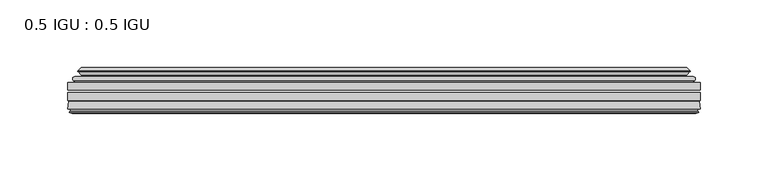
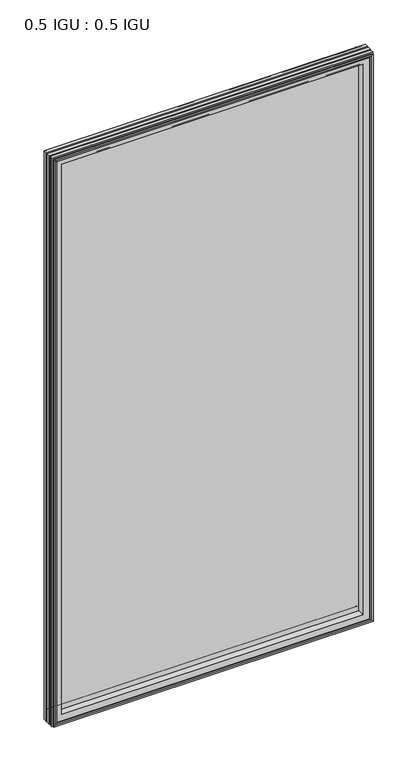
"""IFC4 building model written with IfcOpenShell, lengths in millimetres: plate geometry, 0.5 IGU : 0.5 IGU."""

from ifc_helpers import new_model, si_unit, frame, origin, place, context, project, spatial, polyline, ellipse_curve, outline, extrude, source, transform, mapped, element, save
from ifc_brep_helpers import plane_surface, cylinder_surface, revolved_surface, advanced_brep


def plate_0_5_igu_0_5_igu_5d751c99(model_context):
    return source(origin(), model_context, "Body", "SolidModel", [
        extrude(outline(polyline([(233.3608, -55.82285), (233.3608, -61.48705), (-233.346625, -61.48705), (-233.346625, -55.82285), (233.3608, -55.82285)])), frame((0.0, 0.0, -14.2875), z_axis=(0.0, 0.0, 1.0), x_axis=(1.0, 0.0, 0.0)), (0.0, 0.0, 1.0), 873.1287979),
        extrude(outline(polyline([(-233.346625, -69.05625), (-233.346625, -63.39205), (233.3608, -63.39205), (233.3608, -69.05625), (-233.346625, -69.05625)])), frame((0.0, 0.0, -14.2875), z_axis=(0.0, 0.0, 1.0), x_axis=(1.0, 0.0, 0.0)), (0.0, 0.0, 1.0), 873.1287979),
        advanced_brep(
        [(-229.2440876, -54.3724927, 854.7349626), (-228.1995628, -51.60645, 853.6904378), (-228.1995628, -51.60645, -9.1404378), (-229.2440876, -54.3724927, -10.1849626), (-227.607642, -55.82285, 853.098517), (-227.607642, -55.82285, -8.548517), (-219.059125, -45.63745, 844.55), (-215.4764011, -55.82285, 840.9672761), (-215.4764011, -55.82285, 3.5827239), (-219.059125, -45.63745, 0.0), (-224.2450359, -46.8185491, 849.7359109), (-224.2450359, -46.8185491, -5.1859109), (-223.4480143, -44.8183085, 848.9388893), (-223.4480143, -44.8183085, -4.3888893), (-225.7317361, -47.135817, 851.2226111), (-225.7317361, -47.135817, -6.6726111), (-225.7317361, -47.8489429, 851.2226111), (-225.7317361, -47.8489429, -6.6726111), (-223.4480143, -50.1664515, 848.9388893), (-223.4480143, -50.1664515, -4.3888893), (-224.2373751, -48.1854367, 849.7282501), (-224.2373751, -48.1854367, -5.1782501), (-221.7135629, -48.027045, 847.2044379), (-221.7135629, -48.027045, -2.6544379), (-220.6877467, -48.7147544, 846.1786217), (-220.6877467, -48.7147544, -1.6286217), (-220.8061538, -50.1092231, 846.2970288), (-220.8061538, -50.1092231, -1.7470288), (-221.4078998, -51.60645, 846.8987748), (-221.4078998, -51.60645, -2.3487748), (228.1995628, -51.60645, -9.1404378), (229.2440876, -54.3724927, -10.1849626), (227.607642, -55.82285, -8.548517), (215.4764011, -55.82285, 3.5827239), (219.059125, -45.63745, 0.0), (224.2450359, -46.8185491, -5.1859109), (223.4480143, -44.8183085, -4.3888893), (225.7317361, -47.135817, -6.6726111), (225.7317361, -47.8489429, -6.6726111), (223.4480143, -50.1664515, -4.3888893), (224.2373751, -48.1854367, -5.1782501), (221.7135629, -48.027045, -2.6544379), (220.6877467, -48.7147544, -1.6286217), (220.8061538, -50.1092231, -1.7470288), (221.4078998, -51.60645, -2.3487748), (228.1995628, -51.60645, 853.6904378), (229.2440876, -54.3724927, 854.7349626), (227.607642, -55.82285, 853.098517), (215.4764011, -55.82285, 840.9672761), (219.059125, -45.63745, 844.55), (224.2450359, -46.8185491, 849.7359109), (223.4480143, -44.8183085, 848.9388893), (225.7317361, -47.135817, 851.2226111), (225.7317361, -47.8489429, 851.2226111), (223.4480143, -50.1664515, 848.9388893), (224.2373751, -48.1854367, 849.7282501), (221.7135629, -48.027045, 847.2044379), (220.6877467, -48.7147544, 846.1786217), (220.8061538, -50.1092231, 846.2970288), (221.4078998, -51.60645, 846.8987748)],
        [
            (0, 1, ellipse_curve(frame((-228.1911953, -53.1898501, 853.6820703), z_axis=(-0.7071067811865475, 0.0, -0.7071067811865475), x_axis=(-0.7071067811865474, 0.0, 0.7071067811865476)), 2.2392971, 1.5834222)),
            (1, 2),
            (2, 3, ellipse_curve(frame((-228.1911953, -53.1898501, -9.1320703), z_axis=(-0.7071067811865475, 0.0, 0.7071067811865475), x_axis=(0.7071067811865474, 0.0, 0.7071067811865476)), 2.2392971, 1.5834222)),
            (3, 0),
            (4, 0),
            (3, 5),
            (5, 4),
            (6, 7, ellipse_curve(frame((-186.779371, -40.0058297, 812.270246), z_axis=(0.7071067811865475, 0.0, 0.7071067811865475), x_axis=(0.7071067811865474, 0.0, -0.7071067811865476)), 46.3399971, 32.7673262)),
            (7, 8),
            (8, 9, ellipse_curve(frame((-186.779371, -40.0058297, 32.279754), z_axis=(0.7071067811865475, 0.0, -0.7071067811865475), x_axis=(-0.7071067811865474, 0.0, -0.7071067811865476)), 46.3399971, 32.7673262)),
            (9, 6),
            (10, 6),
            (9, 11),
            (11, 10),
            (12, 10),
            (11, 13),
            (13, 12),
            (14, 12),
            (13, 15),
            (15, 14),
            (16, 14, ellipse_curve(frame((-225.3698979, -47.49238, 850.8607729), z_axis=(-0.7071067811865475, 0.0, -0.7071067811865475), x_axis=(-0.7071067811865474, 0.0, 0.7071067811865476)), 0.7184205, 0.508)),
            (15, 17, ellipse_curve(frame((-225.3698979, -47.49238, -6.3107729), z_axis=(-0.7071067811865475, 0.0, 0.7071067811865475), x_axis=(0.7071067811865474, 0.0, 0.7071067811865476)), 0.7184205, 0.508)),
            (17, 16),
            (18, 16),
            (17, 19),
            (19, 18),
            (20, 18),
            (19, 21),
            (21, 20),
            (22, 20),
            (21, 23),
            (23, 22),
            (24, 22, ellipse_curve(frame((-221.649925, -49.04105, 847.1408), z_axis=(0.7071067811865475, 0.0, 0.7071067811865475), x_axis=(0.7071067811865474, 0.0, -0.7071067811865476)), 1.436841, 1.016)),
            (23, 25, ellipse_curve(frame((-221.649925, -49.04105, -2.5908), z_axis=(0.7071067811865475, 0.0, -0.7071067811865475), x_axis=(-0.7071067811865474, 0.0, -0.7071067811865476)), 1.436841, 1.016)),
            (25, 24),
            (26, 24, ellipse_curve(frame((-223.021525, -49.21885, 848.5124), z_axis=(0.7071067811865475, 0.0, 0.7071067811865475), x_axis=(0.7071067811865474, 0.0, -0.7071067811865476)), 3.3765763, 2.3876)),
            (25, 27, ellipse_curve(frame((-223.021525, -49.21885, -3.9624), z_axis=(0.7071067811865475, 0.0, -0.7071067811865475), x_axis=(-0.7071067811865474, 0.0, -0.7071067811865476)), 3.3765763, 2.3876)),
            (27, 26),
            (28, 26),
            (27, 29),
            (29, 28),
            (2, 30),
            (30, 31, ellipse_curve(frame((228.1911953, -53.1898501, -9.1320703), z_axis=(-0.7071067811865475, 0.0, -0.7071067811865475), x_axis=(-0.7071067811865476, 0.0, 0.7071067811865474)), 2.2392971, 1.5834222)),
            (31, 3),
            (31, 32),
            (32, 5),
            (8, 33),
            (33, 34, ellipse_curve(frame((186.779371, -40.0058297, 32.279754), z_axis=(0.7071067811865475, 0.0, 0.7071067811865475), x_axis=(0.7071067811865476, 0.0, -0.7071067811865474)), 46.3399971, 32.7673262)),
            (34, 9),
            (34, 35),
            (35, 11),
            (35, 36),
            (36, 13),
            (36, 37),
            (37, 15),
            (37, 38, ellipse_curve(frame((225.3698979, -47.49238, -6.3107729), z_axis=(-0.7071067811865475, 0.0, -0.7071067811865475), x_axis=(-0.7071067811865476, 0.0, 0.7071067811865474)), 0.7184205, 0.508)),
            (38, 17),
            (38, 39),
            (39, 19),
            (39, 40),
            (40, 21),
            (40, 41),
            (41, 23),
            (41, 42, ellipse_curve(frame((221.649925, -49.04105, -2.5908), z_axis=(0.7071067811865475, 0.0, 0.7071067811865475), x_axis=(0.7071067811865476, 0.0, -0.7071067811865474)), 1.436841, 1.016)),
            (42, 25),
            (42, 43, ellipse_curve(frame((223.021525, -49.21885, -3.9624), z_axis=(0.7071067811865475, 0.0, 0.7071067811865475), x_axis=(0.7071067811865476, 0.0, -0.7071067811865474)), 3.3765763, 2.3876)),
            (43, 27),
            (43, 44),
            (44, 29),
            (30, 45),
            (45, 46, ellipse_curve(frame((228.1911953, -53.1898501, 853.6820703), z_axis=(0.7071067811865475, 0.0, -0.7071067811865475), x_axis=(-0.7071067811865474, 0.0, -0.7071067811865476)), 2.2392971, 1.5834222)),
            (46, 31),
            (46, 47),
            (47, 32),
            (33, 48),
            (48, 49, ellipse_curve(frame((186.779371, -40.0058297, 812.270246), z_axis=(-0.7071067811865475, 0.0, 0.7071067811865475), x_axis=(0.7071067811865474, 0.0, 0.7071067811865476)), 46.3399971, 32.7673262)),
            (49, 34),
            (49, 50),
            (50, 35),
            (50, 51),
            (51, 36),
            (51, 52),
            (52, 37),
            (52, 53, ellipse_curve(frame((225.3698979, -47.49238, 850.8607729), z_axis=(0.7071067811865475, 0.0, -0.7071067811865475), x_axis=(-0.7071067811865474, 0.0, -0.7071067811865476)), 0.7184205, 0.508)),
            (53, 38),
            (53, 54),
            (54, 39),
            (54, 55),
            (55, 40),
            (55, 56),
            (56, 41),
            (56, 57, ellipse_curve(frame((221.649925, -49.04105, 847.1408), z_axis=(-0.7071067811865475, 0.0, 0.7071067811865475), x_axis=(0.7071067811865474, 0.0, 0.7071067811865476)), 1.436841, 1.016)),
            (57, 42),
            (57, 58, ellipse_curve(frame((223.021525, -49.21885, 848.5124), z_axis=(-0.7071067811865475, 0.0, 0.7071067811865475), x_axis=(0.7071067811865474, 0.0, 0.7071067811865476)), 3.3765763, 2.3876)),
            (58, 43),
            (58, 59),
            (59, 44),
            (45, 1),
            (0, 46),
            (4, 47),
            (7, 48),
            (6, 49),
            (10, 50),
            (12, 51),
            (14, 52),
            (16, 53),
            (18, 54),
            (20, 55),
            (22, 56),
            (24, 57),
            (26, 58),
            (28, 59),
        ],
        [
            cylinder_surface(frame((-228.1911953, -53.1898501, 876.3), z_axis=(0.0, 0.0, 1.0), x_axis=(-1.0, 0.0, 0.0)), 1.5834222),
            plane_surface(frame((-229.2440876, -54.3724927, 854.7349626), z_axis=(-0.6632745773184306, -0.7483761320907135, 0.0), x_axis=(0.0, 0.0, -1.0))),
            revolved_surface(polyline([(-219.54669719999998, -40.0058297, -0.48757218957496207), (-219.54669719999998, -40.0058297, 845.037572189575)]), (-186.779371, -40.0058297, 876.3), (0.0, 0.0, -1.0)),
            plane_surface(frame((-219.059125, -45.63745, 844.55), z_axis=(-0.22206498442787428, 0.975031867525902, 0.0), x_axis=(0.0, 0.0, -1.0))),
            plane_surface(frame((-224.2450359, -46.8185491, 849.7359109), z_axis=(0.9289682685630282, -0.370159365683228, 0.0), x_axis=(0.0, 0.0, -1.0))),
            plane_surface(frame((-223.4480143, -44.8183085, 848.9388893), z_axis=(-0.7122798501733507, 0.7018955869907071, 0.0), x_axis=(0.0, 0.0, -1.0))),
            cylinder_surface(frame((-225.3698979, -47.49238, 876.3), z_axis=(0.0, 0.0, 1.0), x_axis=(-1.0, 0.0, 0.0)), 0.508),
            plane_surface(frame((-225.7317361, -47.8489429, 851.2226111), z_axis=(-0.7122798501732925, -0.701895586990766, 0.0), x_axis=(0.0, 0.0, -1.0))),
            plane_surface(frame((-223.4480143, -50.1664515, 848.9388893), z_axis=(0.9289682685628707, 0.3701593656836228, 0.0), x_axis=(0.0, 0.0, -1.0))),
            plane_surface(frame((-224.2373751, -48.1854367, 849.7282501), z_axis=(0.06263570119284978, -0.9980364567169279, 0.0), x_axis=(0.0, 0.0, -1.0))),
            revolved_surface(polyline([(-222.665925, -49.04105, -3.606800014586838), (-222.665925, -49.04105, 848.1568000145869)]), (-221.649925, -49.04105, 876.3), (0.0, 0.0, -1.0)),
            revolved_surface(polyline([(-225.409125, -49.21885, -6.3499999989237494), (-225.409125, -49.21885, 850.8999999989237)]), (-223.021525, -49.21885, 876.3), (0.0, 0.0, -1.0)),
            plane_surface(frame((-220.8061538, -50.1092231, 846.2970288), z_axis=(-0.9278652925428184, 0.3729155385532094, 0.0), x_axis=(0.0, 0.0, -1.0))),
            cylinder_surface(frame((-250.809125, -53.1898501, -9.1320703), z_axis=(-1.0, 0.0, 0.0), x_axis=(0.0, 0.0, -1.0)), 1.5834222),
            plane_surface(frame((-229.2440876, -54.3724927, -10.1849626), z_axis=(0.0, -0.7483761320907157, -0.6632745773184283), x_axis=(1.0, 0.0, 0.0))),
            revolved_surface(polyline([(219.5466971895749, -40.0058297, -0.48757220000000245), (-219.54669718957493, -40.0058297, -0.48757220000000245)]), (-250.809125, -40.0058297, 32.279754), (1.0, 0.0, 0.0)),
            plane_surface(frame((-219.059125, -45.63745, 0.0), z_axis=(0.0, 0.9750318675259013, -0.22206498442787745), x_axis=(1.0, 0.0, 0.0))),
            plane_surface(frame((-224.2450359, -46.8185491, -5.1859109), z_axis=(0.0, -0.370159365683225, 0.9289682685630294), x_axis=(1.0, 0.0, 0.0))),
            plane_surface(frame((-223.4480143, -44.8183085, -4.3888893), z_axis=(0.0, 0.7018955869907048, -0.7122798501733529), x_axis=(1.0, 0.0, 0.0))),
            cylinder_surface(frame((-250.809125, -47.49238, -6.3107729), z_axis=(-1.0, 0.0, 0.0), x_axis=(0.0, 0.0, -1.0)), 0.508),
            plane_surface(frame((-225.7317361, -47.8489429, -6.6726111), z_axis=(0.0, -0.7018955869907684, -0.7122798501732903), x_axis=(1.0, 0.0, 0.0))),
            plane_surface(frame((-223.4480143, -50.1664515, -4.3888893), z_axis=(0.0, 0.37015936568362584, 0.9289682685628696), x_axis=(1.0, 0.0, 0.0))),
            plane_surface(frame((-224.2373751, -48.1854367, -5.1782501), z_axis=(0.0, -0.9980364567169276, 0.06263570119285301), x_axis=(1.0, 0.0, 0.0))),
            revolved_surface(polyline([(222.66592501458683, -49.04105, -3.6068000000000002), (-222.66592501458686, -49.04105, -3.6068000000000002)]), (-250.809125, -49.04105, -2.5908), (1.0, 0.0, 0.0)),
            revolved_surface(polyline([(225.4091249989238, -49.21885, -6.35), (-225.40912499892377, -49.21885, -6.35)]), (-250.809125, -49.21885, -3.9624), (1.0, 0.0, 0.0)),
            plane_surface(frame((-220.8061538, -50.1092231, -1.7470288), z_axis=(0.0, 0.3729155385532064, -0.9278652925428196), x_axis=(1.0, 0.0, 0.0))),
            cylinder_surface(frame((228.1911953, -53.1898501, -31.75), z_axis=(0.0, 0.0, -1.0), x_axis=(1.0, 0.0, 0.0)), 1.5834222),
            plane_surface(frame((229.2440876, -54.3724927, -10.1849626), z_axis=(0.6632745773184259, -0.7483761320907178, 0.0), x_axis=(0.0, 0.0, 1.0))),
            revolved_surface(polyline([(219.54669719999998, -40.0058297, 845.037572189575), (219.54669719999998, -40.0058297, -0.48757218957494075)]), (186.779371, -40.0058297, -31.75), (0.0, 0.0, 1.0)),
            plane_surface(frame((219.059125, -45.63745, 0.0), z_axis=(0.22206498442788059, 0.9750318675259005, 0.0), x_axis=(0.0, 0.0, 1.0))),
            plane_surface(frame((224.2450359, -46.8185491, -5.1859109), z_axis=(-0.9289682685630306, -0.370159365683222, 0.0), x_axis=(0.0, 0.0, 1.0))),
            plane_surface(frame((223.4480143, -44.8183085, -4.3888893), z_axis=(0.7122798501733552, 0.7018955869907024, 0.0), x_axis=(0.0, 0.0, 1.0))),
            cylinder_surface(frame((225.3698979, -47.49238, -31.75), z_axis=(0.0, 0.0, -1.0), x_axis=(1.0, 0.0, 0.0)), 0.508),
            plane_surface(frame((225.7317361, -47.8489429, -6.6726111), z_axis=(0.712279850173288, -0.7018955869907706, 0.0), x_axis=(0.0, 0.0, 1.0))),
            plane_surface(frame((223.4480143, -50.1664515, -4.3888893), z_axis=(-0.9289682685628684, 0.37015936568362884, 0.0), x_axis=(0.0, 0.0, 1.0))),
            plane_surface(frame((224.2373751, -48.1854367, -5.1782501), z_axis=(-0.06263570119285625, -0.9980364567169274, 0.0), x_axis=(0.0, 0.0, 1.0))),
            revolved_surface(polyline([(222.665925, -49.04105, 848.1568000145869), (222.665925, -49.04105, -3.606800014586863)]), (221.649925, -49.04105, -31.75), (0.0, 0.0, 1.0)),
            revolved_surface(polyline([(225.409125, -49.21885, 850.8999999989237), (225.409125, -49.21885, -6.349999998923781)]), (223.021525, -49.21885, -31.75), (0.0, 0.0, 1.0)),
            plane_surface(frame((220.8061538, -50.1092231, -1.7470288), z_axis=(0.9278652925428208, 0.3729155385532034, 0.0), x_axis=(0.0, 0.0, 1.0))),
            cylinder_surface(frame((250.809125, -53.1898501, 853.6820703), z_axis=(1.0, 0.0, 0.0), x_axis=(0.0, 0.0, 1.0)), 1.5834222),
            plane_surface(frame((229.2440876, -54.3724927, 854.7349626), z_axis=(0.0, -0.7483761320907157, 0.6632745773184283), x_axis=(-1.0, 0.0, 0.0))),
            plane_surface(frame((227.607642, -55.82285, 853.098517), z_axis=(0.0, -1.0, 0.0), x_axis=(-1.0, 0.0, 0.0))),
            revolved_surface(polyline([(-219.5466971895749, -40.0058297, 845.0375722), (219.54669718957493, -40.0058297, 845.0375722)]), (250.809125, -40.0058297, 812.270246), (-1.0, 0.0, 0.0)),
            plane_surface(frame((219.059125, -45.63745, 844.55), z_axis=(0.0, 0.9750318675259012, 0.22206498442787742), x_axis=(-1.0, 0.0, 0.0))),
            plane_surface(frame((224.2450359, -46.8185491, 849.7359109), z_axis=(0.0, -0.370159365683225, -0.9289682685630294), x_axis=(-1.0, 0.0, 0.0))),
            plane_surface(frame((223.4480143, -44.8183085, 848.9388893), z_axis=(0.0, 0.7018955869907048, 0.7122798501733529), x_axis=(-1.0, 0.0, 0.0))),
            cylinder_surface(frame((250.809125, -47.49238, 850.8607729), z_axis=(1.0, 0.0, 0.0), x_axis=(0.0, 0.0, 1.0)), 0.508),
            plane_surface(frame((225.7317361, -47.8489429, 851.2226111), z_axis=(0.0, -0.7018955869907684, 0.7122798501732903), x_axis=(-1.0, 0.0, 0.0))),
            plane_surface(frame((223.4480143, -50.1664515, 848.9388893), z_axis=(0.0, 0.37015936568362584, -0.9289682685628696), x_axis=(-1.0, 0.0, 0.0))),
            plane_surface(frame((224.2373751, -48.1854367, 849.7282501), z_axis=(0.0, -0.9980364567169276, -0.06263570119285301), x_axis=(-1.0, 0.0, 0.0))),
            revolved_surface(polyline([(-222.66592501458683, -49.04105, 848.1568), (222.66592501458686, -49.04105, 848.1568)]), (250.809125, -49.04105, 847.1408), (-1.0, 0.0, 0.0)),
            revolved_surface(polyline([(-225.4091249989238, -49.21885, 850.9), (225.40912499892377, -49.21885, 850.9)]), (250.809125, -49.21885, 848.5124), (-1.0, 0.0, 0.0)),
            plane_surface(frame((220.8061538, -50.1092231, 846.2970288), z_axis=(0.0, 0.3729155385532064, 0.9278652925428196), x_axis=(-1.0, 0.0, 0.0))),
            plane_surface(frame((221.4078998, -51.60645, 846.8987748), z_axis=(0.0, 1.0, 0.0), x_axis=(-1.0, 0.0, 0.0))),
        ],
        [
            (0, [[1, 2, 3, 4]]),
            (1, [[5, -4, 6, 7]]),
            (2, [[8, 9, 10, 11]]),
            (3, [[12, -11, 13, 14]]),
            (4, [[15, -14, 16, 17]]),
            (5, [[18, -17, 19, 20]]),
            (6, [[21, -20, 22, 23]]),
            (7, [[24, -23, 25, 26]]),
            (8, [[27, -26, 28, 29]]),
            (9, [[30, -29, 31, 32]]),
            (10, [[33, -32, 34, 35]]),
            (11, [[36, -35, 37, 38]]),
            (12, [[39, -38, 40, 41]]),
            (13, [[-3, 42, 43, 44]]),
            (14, [[-6, -44, 45, 46]]),
            (15, [[-10, 47, 48, 49]]),
            (16, [[-13, -49, 50, 51]]),
            (17, [[-16, -51, 52, 53]]),
            (18, [[-19, -53, 54, 55]]),
            (19, [[-22, -55, 56, 57]]),
            (20, [[-25, -57, 58, 59]]),
            (21, [[-28, -59, 60, 61]]),
            (22, [[-31, -61, 62, 63]]),
            (23, [[-34, -63, 64, 65]]),
            (24, [[-37, -65, 66, 67]]),
            (25, [[-40, -67, 68, 69]]),
            (26, [[-43, 70, 71, 72]]),
            (27, [[-45, -72, 73, 74]]),
            (28, [[-48, 75, 76, 77]]),
            (29, [[-50, -77, 78, 79]]),
            (30, [[-52, -79, 80, 81]]),
            (31, [[-54, -81, 82, 83]]),
            (32, [[-56, -83, 84, 85]]),
            (33, [[-58, -85, 86, 87]]),
            (34, [[-60, -87, 88, 89]]),
            (35, [[-62, -89, 90, 91]]),
            (36, [[-64, -91, 92, 93]]),
            (37, [[-66, -93, 94, 95]]),
            (38, [[-68, -95, 96, 97]]),
            (39, [[-71, 98, -1, 99]]),
            (40, [[-73, -99, -5, 100]]),
            (41, [[-46, -74, -100, -7], [101, -75, -47, -9]]),
            (42, [[-76, -101, -8, 102]]),
            (43, [[-78, -102, -12, 103]]),
            (44, [[-80, -103, -15, 104]]),
            (45, [[-82, -104, -18, 105]]),
            (46, [[-84, -105, -21, 106]]),
            (47, [[-86, -106, -24, 107]]),
            (48, [[-88, -107, -27, 108]]),
            (49, [[-90, -108, -30, 109]]),
            (50, [[-92, -109, -33, 110]]),
            (51, [[-94, -110, -36, 111]]),
            (52, [[-96, -111, -39, 112]]),
            (53, [[-98, -70, -42, -2], [-69, -97, -112, -41]]),
        ],
    ),
        advanced_brep(
        [(-233.359325, -75.40625, 858.8502), (-232.6645412, -69.7476901, 858.1554162), (-232.6645412, -69.7476901, -13.6054162), (-233.359325, -75.40625, -14.3002), (-230.971725, -77.3973143, 856.4626), (-231.428925, -75.40625, 856.9198), (-231.428925, -75.40625, -12.3698), (-230.971725, -77.3973143, -11.9126), (-231.9730869, -77.1290001, 857.4639619), (-231.9730869, -77.1290001, -12.9139619), (-232.216325, -78.0367772, 857.7072), (-232.216325, -78.0367772, -13.1572), (-230.184325, -78.58125, 855.6752), (-230.184325, -78.58125, -11.1252), (-228.152325, -78.0367772, 853.6432), (-228.152325, -78.0367772, -9.0932), (-228.3955631, -77.1290001, 853.8864381), (-228.3955631, -77.1290001, -9.3364381), (-229.396925, -77.3973143, 854.8878), (-229.396925, -77.3973143, -10.3378), (-228.939725, -75.40625, 854.4306), (-228.939725, -75.40625, -9.8806), (-215.4696619, -69.05625, 840.9605369), (-219.059125, -75.40625, 844.55), (-219.059125, -75.40625, 0.0), (-215.4696619, -69.05625, 3.5894631), (-231.8830104, -69.05625, 857.3738854), (-231.8830104, -69.05625, -12.8238854), (232.6645412, -69.7476901, -13.6054162), (233.359325, -75.40625, -14.3002), (231.428925, -75.40625, -12.3698), (230.971725, -77.3973143, -11.9126), (231.9730869, -77.1290001, -12.9139619), (232.216325, -78.0367772, -13.1572), (230.184325, -78.58125, -11.1252), (228.152325, -78.0367772, -9.0932), (228.3955631, -77.1290001, -9.3364381), (229.396925, -77.3973143, -10.3378), (228.939725, -75.40625, -9.8806), (219.059125, -75.40625, 0.0), (215.4696619, -69.05625, 3.5894631), (231.8830104, -69.05625, -12.8238854), (232.6645412, -69.7476901, 858.1554162), (233.359325, -75.40625, 858.8502), (231.428925, -75.40625, 856.9198), (230.971725, -77.3973143, 856.4626), (231.9730869, -77.1290001, 857.4639619), (232.216325, -78.0367772, 857.7072), (230.184325, -78.58125, 855.6752), (228.152325, -78.0367772, 853.6432), (228.3955631, -77.1290001, 853.8864381), (229.396925, -77.3973143, 854.8878), (228.939725, -75.40625, 854.4306), (219.059125, -75.40625, 844.55), (215.4696619, -69.05625, 840.9605369), (231.8830104, -69.05625, 857.3738854)],
        [
            (0, 1),
            (1, 2),
            (2, 3),
            (3, 0),
            (4, 5),
            (5, 6),
            (6, 7),
            (7, 4),
            (8, 4),
            (7, 9),
            (9, 8),
            (10, 8),
            (9, 11),
            (11, 10),
            (12, 10),
            (11, 13),
            (13, 12),
            (14, 12),
            (13, 15),
            (15, 14),
            (16, 14),
            (15, 17),
            (17, 16),
            (18, 16),
            (17, 19),
            (19, 18),
            (20, 18),
            (19, 21),
            (21, 20),
            (22, 23, ellipse_curve(frame((-210.5828364, -76.0081323, 836.0737114), z_axis=(0.7071067811865475, 0.0, 0.7071067811865475), x_axis=(0.7071067811865474, 0.0, -0.7071067811865476)), 12.0174649, 8.4976309)),
            (23, 24),
            (24, 25, ellipse_curve(frame((-210.5828364, -76.0081323, 8.4762886), z_axis=(0.7071067811865475, 0.0, -0.7071067811865475), x_axis=(-0.7071067811865474, 0.0, -0.7071067811865476)), 12.0174649, 8.4976309)),
            (25, 22),
            (1, 26, ellipse_curve(frame((-231.8830104, -69.84365, 857.3738854), z_axis=(-0.7071067811865475, 0.0, -0.7071067811865475), x_axis=(-0.7071067811865474, 0.0, 0.7071067811865476)), 1.1135518, 0.7874)),
            (26, 27),
            (27, 2, ellipse_curve(frame((-231.8830104, -69.84365, -12.8238854), z_axis=(-0.7071067811865475, 0.0, 0.7071067811865475), x_axis=(0.7071067811865474, 0.0, 0.7071067811865476)), 1.1135518, 0.7874)),
            (2, 28),
            (28, 29),
            (29, 3),
            (6, 30),
            (30, 31),
            (31, 7),
            (31, 32),
            (32, 9),
            (32, 33),
            (33, 11),
            (33, 34),
            (34, 13),
            (34, 35),
            (35, 15),
            (35, 36),
            (36, 17),
            (36, 37),
            (37, 19),
            (37, 38),
            (38, 21),
            (24, 39),
            (39, 40, ellipse_curve(frame((210.5828364, -76.0081323, 8.4762886), z_axis=(0.7071067811865475, 0.0, 0.7071067811865475), x_axis=(0.7071067811865476, 0.0, -0.7071067811865474)), 12.0174649, 8.4976309)),
            (40, 25),
            (27, 41),
            (41, 28, ellipse_curve(frame((231.8830104, -69.84365, -12.8238854), z_axis=(-0.7071067811865475, 0.0, -0.7071067811865475), x_axis=(-0.7071067811865476, 0.0, 0.7071067811865474)), 1.1135518, 0.7874)),
            (28, 42),
            (42, 43),
            (43, 29),
            (30, 44),
            (44, 45),
            (45, 31),
            (45, 46),
            (46, 32),
            (46, 47),
            (47, 33),
            (47, 48),
            (48, 34),
            (48, 49),
            (49, 35),
            (49, 50),
            (50, 36),
            (50, 51),
            (51, 37),
            (51, 52),
            (52, 38),
            (39, 53),
            (53, 54, ellipse_curve(frame((210.5828364, -76.0081323, 836.0737114), z_axis=(-0.7071067811865475, 0.0, 0.7071067811865475), x_axis=(0.7071067811865474, 0.0, 0.7071067811865476)), 12.0174649, 8.4976309)),
            (54, 40),
            (41, 55),
            (55, 42, ellipse_curve(frame((231.8830104, -69.84365, 857.3738854), z_axis=(0.7071067811865475, 0.0, -0.7071067811865475), x_axis=(-0.7071067811865474, 0.0, -0.7071067811865476)), 1.1135518, 0.7874)),
            (42, 1),
            (0, 43),
            (5, 44),
            (4, 45),
            (8, 46),
            (10, 47),
            (12, 48),
            (14, 49),
            (16, 50),
            (18, 51),
            (20, 52),
            (23, 53),
            (22, 54),
            (26, 55),
        ],
        [
            plane_surface(frame((-232.6645412, -69.7476901, 858.1554162), z_axis=(-0.992546151641325, 0.12186934340512406, 0.0), x_axis=(0.0, 0.0, -1.0))),
            plane_surface(frame((-231.428925, -75.40625, 856.9198), z_axis=(-0.9746347637895902, -0.22380142361658395, 0.0), x_axis=(0.0, 0.0, -1.0))),
            plane_surface(frame((-230.971725, -77.3973143, 856.4626), z_axis=(0.2588190451026526, 0.965925826289033, 0.0), x_axis=(0.0, 0.0, -1.0))),
            plane_surface(frame((-231.9730869, -77.1290001, 857.4639619), z_axis=(-0.9659258262890449, 0.2588190451026083, 0.0), x_axis=(0.0, 0.0, -1.0))),
            plane_surface(frame((-232.216325, -78.0367772, 857.7072), z_axis=(-0.2588190451024403, -0.96592582628909, 0.0), x_axis=(0.0, 0.0, -1.0))),
            plane_surface(frame((-230.184325, -78.58125, 855.6752), z_axis=(0.2588190451025434, -0.9659258262890623, 0.0), x_axis=(0.0, 0.0, -1.0))),
            plane_surface(frame((-228.152325, -78.0367772, 853.6432), z_axis=(0.9659258262891713, 0.25881904510213655, 0.0), x_axis=(0.0, 0.0, -1.0))),
            plane_surface(frame((-228.3955631, -77.1290001, 853.8864381), z_axis=(-0.25881904510234177, 0.9659258262891163, 0.0), x_axis=(0.0, 0.0, -1.0))),
            plane_surface(frame((-229.396925, -77.3973143, 854.8878), z_axis=(0.9746347637895849, -0.22380142361660746, 0.0), x_axis=(0.0, 0.0, -1.0))),
            revolved_surface(polyline([(-219.08046729999998, -76.0081323, -0.02134232346134013), (-219.08046729999998, -76.0081323, 844.5713423234613)]), (-210.5828364, -76.0081323, 876.3), (0.0, 0.0, -1.0)),
            cylinder_surface(frame((-231.8830104, -69.84365, 876.3), z_axis=(0.0, 0.0, 1.0), x_axis=(-1.0, 0.0, 0.0)), 0.7874),
            plane_surface(frame((-232.6645412, -69.7476901, -13.6054162), z_axis=(0.0, 0.12186934340512084, -0.9925461516413254), x_axis=(1.0, 0.0, 0.0))),
            plane_surface(frame((-231.428925, -75.40625, -12.3698), z_axis=(0.0, -0.22380142361658714, -0.9746347637895896), x_axis=(1.0, 0.0, 0.0))),
            plane_surface(frame((-230.971725, -77.3973143, -11.9126), z_axis=(0.0, 0.9659258262890339, 0.25881904510264947), x_axis=(1.0, 0.0, 0.0))),
            plane_surface(frame((-231.9730869, -77.1290001, -12.9139619), z_axis=(0.0, 0.25881904510260517, -0.9659258262890458), x_axis=(1.0, 0.0, 0.0))),
            plane_surface(frame((-232.216325, -78.0367772, -13.1572), z_axis=(0.0, -0.9659258262890907, -0.25881904510243714), x_axis=(1.0, 0.0, 0.0))),
            plane_surface(frame((-230.184325, -78.58125, -11.1252), z_axis=(0.0, -0.9659258262890614, 0.2588190451025465), x_axis=(1.0, 0.0, 0.0))),
            plane_surface(frame((-228.152325, -78.0367772, -9.0932), z_axis=(0.0, 0.25881904510213966, 0.9659258262891705), x_axis=(1.0, 0.0, 0.0))),
            plane_surface(frame((-228.3955631, -77.1290001, -9.3364381), z_axis=(0.0, 0.9659258262891154, -0.2588190451023449), x_axis=(1.0, 0.0, 0.0))),
            plane_surface(frame((-229.396925, -77.3973143, -10.3378), z_axis=(0.0, -0.2238014236166043, 0.9746347637895857), x_axis=(1.0, 0.0, 0.0))),
            revolved_surface(polyline([(219.08046732346133, -76.0081323, -0.02134230000000059), (-219.0804673234613, -76.0081323, -0.02134230000000059)]), (-250.809125, -76.0081323, 8.4762886), (1.0, 0.0, 0.0)),
            cylinder_surface(frame((-250.809125, -69.84365, -12.8238854), z_axis=(-1.0, 0.0, 0.0), x_axis=(0.0, 0.0, -1.0)), 0.7874),
            plane_surface(frame((232.6645412, -69.7476901, -13.6054162), z_axis=(0.9925461516413259, 0.12186934340511762, 0.0), x_axis=(0.0, 0.0, 1.0))),
            plane_surface(frame((231.428925, -75.40625, -12.3698), z_axis=(0.9746347637895888, -0.2238014236165903, 0.0), x_axis=(0.0, 0.0, 1.0))),
            plane_surface(frame((230.971725, -77.3973143, -11.9126), z_axis=(-0.25881904510264636, 0.9659258262890348, 0.0), x_axis=(0.0, 0.0, 1.0))),
            plane_surface(frame((231.9730869, -77.1290001, -12.9139619), z_axis=(0.9659258262890467, 0.25881904510260206, 0.0), x_axis=(0.0, 0.0, 1.0))),
            plane_surface(frame((232.216325, -78.0367772, -13.1572), z_axis=(0.25881904510243403, -0.9659258262890916, 0.0), x_axis=(0.0, 0.0, 1.0))),
            plane_surface(frame((230.184325, -78.58125, -11.1252), z_axis=(-0.25881904510254966, -0.9659258262890607, 0.0), x_axis=(0.0, 0.0, 1.0))),
            plane_surface(frame((228.152325, -78.0367772, -9.0932), z_axis=(-0.9659258262891696, 0.25881904510214276, 0.0), x_axis=(0.0, 0.0, 1.0))),
            plane_surface(frame((228.3955631, -77.1290001, -9.3364381), z_axis=(0.25881904510234804, 0.9659258262891146, 0.0), x_axis=(0.0, 0.0, 1.0))),
            plane_surface(frame((229.396925, -77.3973143, -10.3378), z_axis=(-0.9746347637895865, -0.22380142361660113, 0.0), x_axis=(0.0, 0.0, 1.0))),
            revolved_surface(polyline([(219.08046729999998, -76.0081323, 844.5713423234613), (219.08046729999998, -76.0081323, -0.021342323461311707)]), (210.5828364, -76.0081323, -31.75), (0.0, 0.0, 1.0)),
            cylinder_surface(frame((231.8830104, -69.84365, -31.75), z_axis=(0.0, 0.0, -1.0), x_axis=(1.0, 0.0, 0.0)), 0.7874),
            plane_surface(frame((232.6645412, -69.7476901, 858.1554162), z_axis=(0.0, 0.12186934340512084, 0.9925461516413254), x_axis=(-1.0, 0.0, 0.0))),
            plane_surface(frame((233.359325, -75.40625, 858.8502), z_axis=(0.0, -1.0, 0.0), x_axis=(-1.0, 0.0, 0.0))),
            plane_surface(frame((231.428925, -75.40625, 856.9198), z_axis=(0.0, -0.22380142361658714, 0.9746347637895896), x_axis=(-1.0, 0.0, 0.0))),
            plane_surface(frame((230.971725, -77.3973143, 856.4626), z_axis=(0.0, 0.9659258262890339, -0.25881904510264947), x_axis=(-1.0, 0.0, 0.0))),
            plane_surface(frame((231.9730869, -77.1290001, 857.4639619), z_axis=(0.0, 0.25881904510260517, 0.9659258262890458), x_axis=(-1.0, 0.0, 0.0))),
            plane_surface(frame((232.216325, -78.0367772, 857.7072), z_axis=(0.0, -0.9659258262890907, 0.25881904510243714), x_axis=(-1.0, 0.0, 0.0))),
            plane_surface(frame((230.184325, -78.58125, 855.6752), z_axis=(0.0, -0.9659258262890614, -0.25881904510254655), x_axis=(-1.0, 0.0, 0.0))),
            plane_surface(frame((228.152325, -78.0367772, 853.6432), z_axis=(0.0, 0.25881904510213966, -0.9659258262891705), x_axis=(-1.0, 0.0, 0.0))),
            plane_surface(frame((228.3955631, -77.1290001, 853.8864381), z_axis=(0.0, 0.9659258262891155, 0.25881904510234494), x_axis=(-1.0, 0.0, 0.0))),
            plane_surface(frame((229.396925, -77.3973143, 854.8878), z_axis=(0.0, -0.2238014236166043, -0.9746347637895857), x_axis=(-1.0, 0.0, 0.0))),
            plane_surface(frame((228.939725, -75.40625, 854.4306), z_axis=(0.0, -1.0, 0.0), x_axis=(-1.0, 0.0, 0.0))),
            revolved_surface(polyline([(-219.08046732346133, -76.0081323, 844.5713423), (219.0804673234613, -76.0081323, 844.5713423)]), (250.809125, -76.0081323, 836.0737114), (-1.0, 0.0, 0.0)),
            plane_surface(frame((215.4696619, -69.05625, 840.9605369), z_axis=(0.0, 1.0, 0.0), x_axis=(-1.0, 0.0, 0.0))),
            cylinder_surface(frame((250.809125, -69.84365, 857.3738854), z_axis=(1.0, 0.0, 0.0), x_axis=(0.0, 0.0, 1.0)), 0.7874),
        ],
        [
            (0, [[1, 2, 3, 4]]),
            (1, [[5, 6, 7, 8]]),
            (2, [[9, -8, 10, 11]]),
            (3, [[12, -11, 13, 14]]),
            (4, [[15, -14, 16, 17]]),
            (5, [[18, -17, 19, 20]]),
            (6, [[21, -20, 22, 23]]),
            (7, [[24, -23, 25, 26]]),
            (8, [[27, -26, 28, 29]]),
            (9, [[30, 31, 32, 33]]),
            (10, [[34, 35, 36, -2]]),
            (11, [[-3, 37, 38, 39]]),
            (12, [[-7, 40, 41, 42]]),
            (13, [[-10, -42, 43, 44]]),
            (14, [[-13, -44, 45, 46]]),
            (15, [[-16, -46, 47, 48]]),
            (16, [[-19, -48, 49, 50]]),
            (17, [[-22, -50, 51, 52]]),
            (18, [[-25, -52, 53, 54]]),
            (19, [[-28, -54, 55, 56]]),
            (20, [[-32, 57, 58, 59]]),
            (21, [[-36, 60, 61, -37]]),
            (22, [[-38, 62, 63, 64]]),
            (23, [[-41, 65, 66, 67]]),
            (24, [[-43, -67, 68, 69]]),
            (25, [[-45, -69, 70, 71]]),
            (26, [[-47, -71, 72, 73]]),
            (27, [[-49, -73, 74, 75]]),
            (28, [[-51, -75, 76, 77]]),
            (29, [[-53, -77, 78, 79]]),
            (30, [[-55, -79, 80, 81]]),
            (31, [[-58, 82, 83, 84]]),
            (32, [[-61, 85, 86, -62]]),
            (33, [[-63, 87, -1, 88]]),
            (34, [[-39, -64, -88, -4], [89, -65, -40, -6]]),
            (35, [[-66, -89, -5, 90]]),
            (36, [[-68, -90, -9, 91]]),
            (37, [[-70, -91, -12, 92]]),
            (38, [[-72, -92, -15, 93]]),
            (39, [[-74, -93, -18, 94]]),
            (40, [[-76, -94, -21, 95]]),
            (41, [[-78, -95, -24, 96]]),
            (42, [[-80, -96, -27, 97]]),
            (43, [[-56, -81, -97, -29], [98, -82, -57, -31]]),
            (44, [[-83, -98, -30, 99]]),
            (45, [[100, -85, -60, -35], [-59, -84, -99, -33]]),
            (46, [[-86, -100, -34, -87]]),
        ],
    ),
    ])


if __name__ == "__main__":
    model = new_model("IFC4")
    model_context = context("Model", 3, world=origin())
    ifc_project = project(units=[si_unit("LENGTHUNIT", "METRE", prefix="MILLI")], contexts=[model_context])
    site = spatial("IfcSite", under=ifc_project)
    building = spatial("IfcBuilding", under=site)
    placement = place(None, origin())
    plate_0_5_igu_0_5_igu_shape = plate_0_5_igu_0_5_igu_5d751c99(model_context)
    element("IfcPlate", 1, ObjectType="0.5 IGU : 0.5 IGU", at=placement, inside=building, context=model_context, shape_type="MappedRepresentation", body=[
        mapped(plate_0_5_igu_0_5_igu_shape, transform((0.0, 0.0, 0.0), x_axis=(1.0, 0.0, 0.0), y_axis=(0.0, 1.0, 0.0), z_axis=(0.0, 0.0, 1.0))),
    ])
    save(model, "model.ifc")
